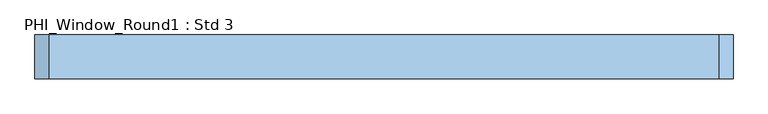
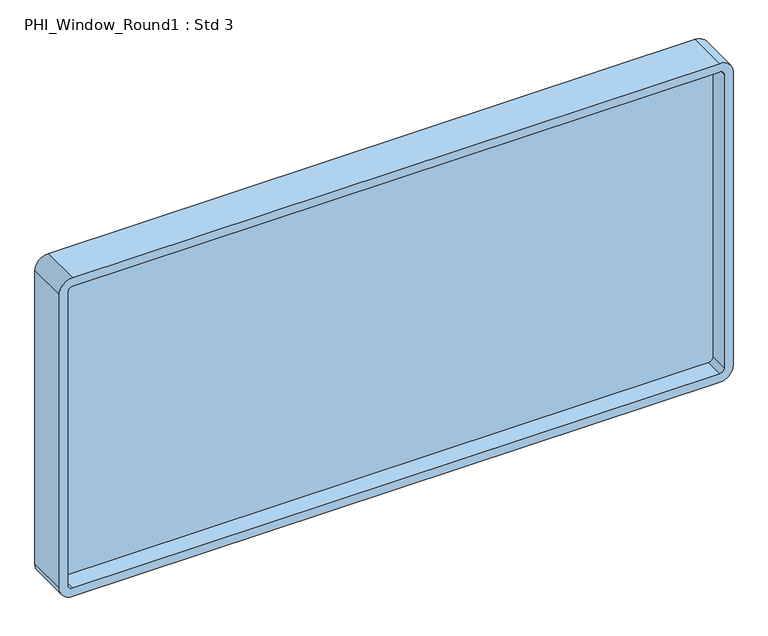
"""IFC4 building model written with IfcOpenShell, lengths in millimetres: window geometry, PHI_Window_Round1 : Std 3."""

from ifc_helpers import new_model, si_unit, point, frame, frame_2d, origin, place, context, project, spatial, polyline, circle_curve, trimmed, segment, composite_curve, outline, extrude, source, transform, mapped, element, save


def phi_window_round1_std_3_7a916e23(model_context):
    return source(origin(), model_context, "Body", "SweptSolid", [
        extrude(outline(composite_curve([segment(polyline([(2115.0, 1152.0), (2115.0, -1152.0)]), True, "CONTINUOUS"), segment(trimmed(circle_curve(frame_2d((2067.0, -1152.0)), 48.0), [point((2115.0, -1152.0))], [point((2067.0, -1200.0))], False, "CARTESIAN"), True, "CONTINUOUS"), segment(polyline([(2067.0, -1200.0), (963.0, -1200.0)]), True, "CONTINUOUS"), segment(trimmed(circle_curve(frame_2d((963.0, -1152.0)), 48.0), [point((963.0, -1200.0))], [point((915.0, -1152.0))], False, "CARTESIAN"), True, "CONTINUOUS"), segment(polyline([(915.0, -1152.0), (915.0, 1152.0)]), True, "CONTINUOUS"), segment(trimmed(circle_curve(frame_2d((963.0, 1152.0)), 48.0), [point((915.0, 1152.0))], [point((963.0, 1200.0))], False, "CARTESIAN"), True, "CONTINUOUS"), segment(polyline([(963.0, 1200.0), (2067.0, 1200.0)]), True, "CONTINUOUS"), segment(trimmed(circle_curve(frame_2d((2067.0, 1152.0)), 48.0), [point((2067.0, 1200.0))], [point((2115.0, 1152.0))], False, "CARTESIAN"), True, "CONTINUOUS")], self_intersect=False), holes=[composite_curve([segment(polyline([(963.0, -1168.0), (2067.0, -1168.0)]), True, "CONTINUOUS"), segment(trimmed(circle_curve(frame_2d((2067.0, -1152.0)), 16.0), [point((2067.0, -1168.0))], [point((2083.0, -1152.0))], True, "CARTESIAN"), True, "CONTINUOUS"), segment(polyline([(2083.0, -1152.0), (2083.0, 1152.0)]), True, "CONTINUOUS"), segment(trimmed(circle_curve(frame_2d((2067.0, 1152.0)), 16.0), [point((2083.0, 1152.0))], [point((2067.0, 1168.0))], True, "CARTESIAN"), True, "CONTINUOUS"), segment(polyline([(2067.0, 1168.0), (963.0, 1168.0)]), True, "CONTINUOUS"), segment(trimmed(circle_curve(frame_2d((963.0, 1152.0)), 16.0), [point((963.0, 1168.0))], [point((947.0, 1152.0))], True, "CARTESIAN"), True, "CONTINUOUS"), segment(polyline([(947.0, 1152.0), (947.0, -1152.0)]), True, "CONTINUOUS"), segment(trimmed(circle_curve(frame_2d((963.0, -1152.0)), 16.0), [point((947.0, -1152.0))], [point((963.0, -1168.0))], True, "CARTESIAN"), True, "CONTINUOUS")], self_intersect=False)]), frame((0.0, -62.0, 0.0), z_axis=(0.0, 1.0, 0.0), x_axis=(0.0, 0.0, 1.0)), (0.0, 0.0, 1.0), 150.0),
        extrude(outline(polyline([(-1181.0, 19.0), (1181.0, 19.0), (1181.0, 7.0), (-1181.0, 7.0), (-1181.0, 19.0)])), frame((0.0, 0.0, 934.0), z_axis=(0.0, 0.0, 1.0), x_axis=(1.0, 0.0, 0.0)), (0.0, 0.0, 1.0), 1162.0),
    ])


if __name__ == "__main__":
    model = new_model("IFC4")
    model_context = context("Model", 3, world=origin())
    ifc_project = project(units=[si_unit("LENGTHUNIT", "METRE", prefix="MILLI")], contexts=[model_context])
    site = spatial("IfcSite", under=ifc_project)
    building = spatial("IfcBuilding", under=site)
    placement = place(None, origin())
    phi_window_round1_std_3_shape = phi_window_round1_std_3_7a916e23(model_context)
    element("IfcWindow", 1, ObjectType="PHI_Window_Round1 : Std 3", at=placement, inside=building, context=model_context, shape_type="MappedRepresentation", body=[
        mapped(phi_window_round1_std_3_shape, transform((0.0, 0.0, 0.0), x_axis=(1.0, 0.0, 0.0), y_axis=(0.0, 1.0, 0.0), z_axis=(0.0, 0.0, 1.0))),
    ])
    save(model, "model.ifc")
